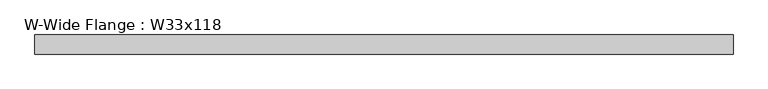
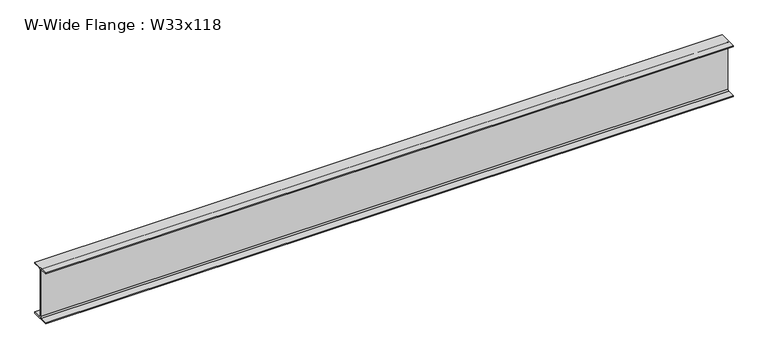
"""IFC4 building model written with IfcOpenShell, lengths in millimetres: beam geometry, W-Wide Flange : W33x118."""

from ifc_helpers import new_model, si_unit, point, frame, frame_2d, origin, place, context, project, spatial, polyline, circle_curve, trimmed, segment, composite_curve, outline, extrude, source, transform, mapped, element, save


def w_wide_flange_w33x118_8e895d92(model_context):
    return source(origin(), model_context, "Body", "SweptSolid", [
        extrude(outline(composite_curve([segment(polyline([(146.05, -399.034), (146.05, -417.83), (-146.05, -417.83), (-146.05, -399.034), (-29.464, -399.034)]), True, "CONTINUOUS"), segment(trimmed(circle_curve(frame_2d((-29.464, -376.555)), 22.479), [point((-29.464, -399.034))], [point((-6.985, -376.555))], True, "CARTESIAN"), True, "CONTINUOUS"), segment(polyline([(-6.985, -376.555), (-6.985, 376.555)]), True, "CONTINUOUS"), segment(trimmed(circle_curve(frame_2d((-29.464, 376.555)), 22.479), [point((-6.985, 376.555))], [point((-29.464, 399.034))], True, "CARTESIAN"), True, "CONTINUOUS"), segment(polyline([(-29.464, 399.034), (-146.05, 399.034), (-146.05, 417.83), (146.05, 417.83), (146.05, 399.034), (29.464, 399.034)]), True, "CONTINUOUS"), segment(trimmed(circle_curve(frame_2d((29.464, 376.555)), 22.479), [point((29.464, 399.034))], [point((6.985, 376.555))], True, "CARTESIAN"), True, "CONTINUOUS"), segment(polyline([(6.985, 376.555), (6.985, -376.555)]), True, "CONTINUOUS"), segment(trimmed(circle_curve(frame_2d((29.464, -376.555)), 22.479), [point((6.985, -376.555))], [point((29.464, -399.034))], True, "CARTESIAN"), True, "CONTINUOUS"), segment(polyline([(29.464, -399.034), (146.05, -399.034)]), True, "CONTINUOUS")], self_intersect=False)), frame((-5320.0206977, 0.0, 0.0), z_axis=(1.0, 0.0, 0.0), x_axis=(0.0, 1.0, 0.0)), (0.0, 0.0, 1.0), 10640.0413955),
    ])


if __name__ == "__main__":
    model = new_model("IFC4")
    model_context = context("Model", 3, world=origin())
    ifc_project = project(units=[si_unit("LENGTHUNIT", "METRE", prefix="MILLI")], contexts=[model_context])
    site = spatial("IfcSite", under=ifc_project)
    building = spatial("IfcBuilding", under=site)
    placement = place(None, origin())
    w_wide_flange_w33x118_shape = w_wide_flange_w33x118_8e895d92(model_context)
    element("IfcBeam", 1, ObjectType="W-Wide Flange : W33x118", at=placement, inside=building, context=model_context, shape_type="MappedRepresentation", body=[
        mapped(w_wide_flange_w33x118_shape, transform((0.0, 0.0, 0.0), x_axis=(1.0, 0.0, 0.0), y_axis=(0.0, 1.0, 0.0), z_axis=(0.0, 0.0, 1.0))),
    ])
    save(model, "model.ifc")
